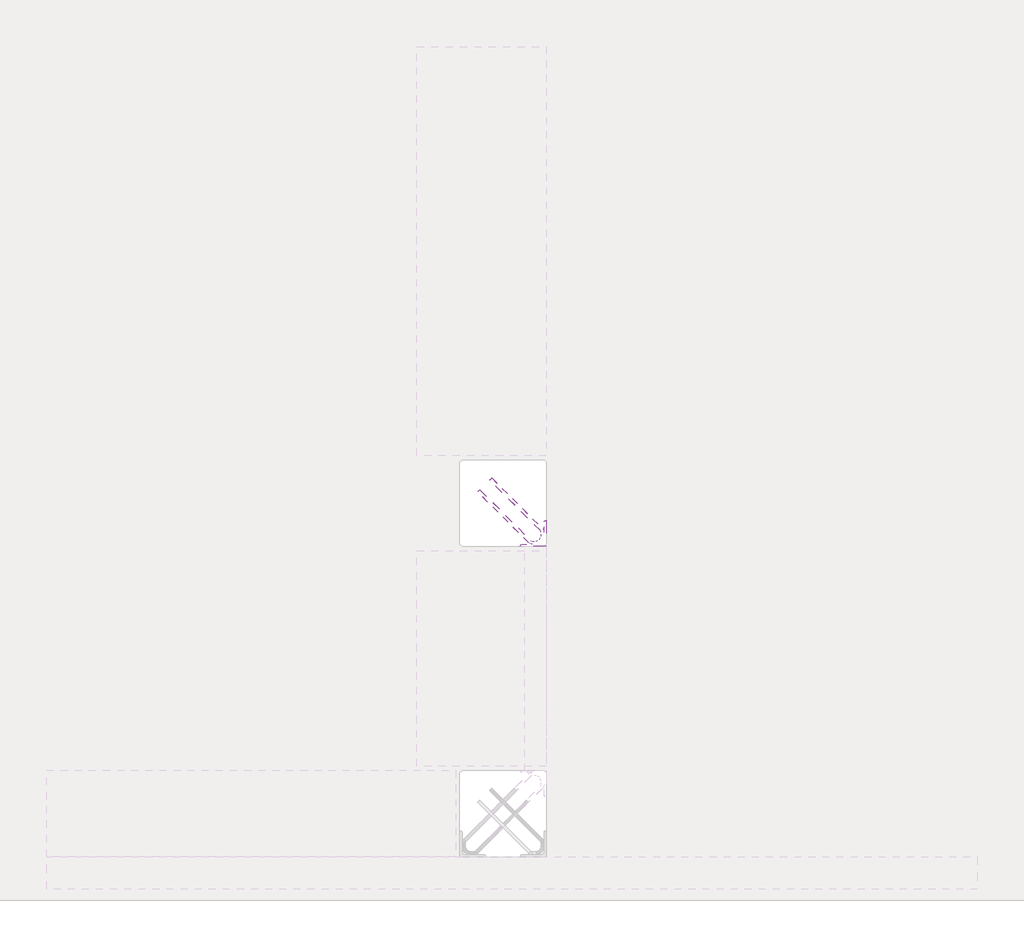
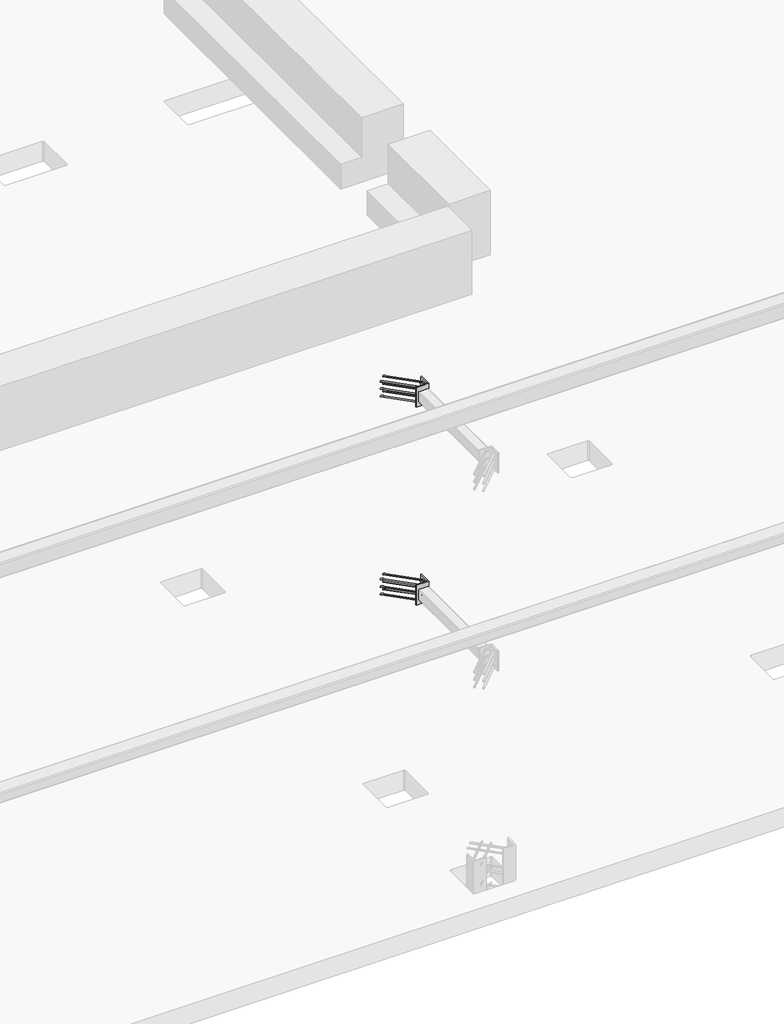
# One storey, part 48 of 65: 2 fasteners.
"""IFC4 building model written with IfcOpenShell, lengths in millimetres."""

from ifc_helpers import new_model, si_unit, point, frame, frame_2d, origin, place, context, project, spatial, polyline, circle_curve, ellipse_curve, trimmed, segment, composite_curve, outline, extrude, element, save
from ifc_brep_helpers import plane_surface, cylinder_surface, revolved_surface, advanced_brep

model = new_model("IFC4")

# Units and contexts
model_context = context("Model", 3, world=origin())
ifc_project = project(units=[si_unit("LENGTHUNIT", "METRE", prefix="MILLI")], contexts=[model_context])

# Site, building, storey
site = spatial("IfcSite", under=ifc_project)
building = spatial("IfcBuilding", under=site)
storey = spatial("IfcBuildingStorey", under=building, Elevation=0.0)

# Fasteners
placement = place(None, origin())
element("IfcFastener", 1, at=placement, inside=storey, context=model_context, shape_type="SolidModel", body=[
    advanced_brep(
    [(71097.4623741, 11557.4371209, 4125.0), (71087.5628791, 11547.5376259, 4125.0), (71032.5628791, 11492.5376259, 4125.0), (71042.4623741, 11502.4371209, 4125.0), (71303.0, 11264.0, 4125.0), (71303.0, 11250.0, 4125.0), (71284.2132034, 11250.0, 4125.0), (71284.2132034, 11264.0, 4125.0), (71326.0, 11287.0, 4125.0), (71340.0, 11287.0, 4125.0), (71326.0, 11305.7867966, 4125.0), (71340.0, 11305.7867966, 4125.0), (71333.5563492, 11321.3431458, 4125.0), (71323.6568543, 11311.4436508, 4125.0), (71278.5563492, 11266.3431458, 4125.0), (71268.6568543, 11256.4436508, 4125.0)],
    [
        (0, 1, circle_curve(frame((71092.5126266, 11552.4873734, 4125.0), z_axis=(-0.7071067811865459, 0.7071067811865493, 0.0), x_axis=(-0.7071067811865493, -0.7071067811865459, 0.0)), 7.0)),
        (1, 0, circle_curve(frame((71092.5126266, 11552.4873734, 4125.0), z_axis=(-0.7071067811865459, 0.7071067811865493, 0.0), x_axis=(-0.7071067811865493, -0.7071067811865459, 0.0)), 7.0)),
        (2, 3, circle_curve(frame((71037.5126266, 11497.4873734, 4125.0), z_axis=(-0.7071067811865457, 0.7071067811865493, 0.0), x_axis=(0.7071067811865493, 0.7071067811865457, 0.0)), 7.0)),
        (3, 2, circle_curve(frame((71037.5126266, 11497.4873734, 4125.0), z_axis=(-0.7071067811865457, 0.7071067811865493, 0.0), x_axis=(0.7071067811865493, 0.7071067811865457, 0.0)), 7.0)),
        (4, 5, circle_curve(frame((71303.0, 11257.0, 4125.0), z_axis=(-1.0, 0.0, 0.0), x_axis=(0.0, 1.0, 0.0)), 7.0)),
        (5, 6),
        (6, 7, circle_curve(frame((71284.2132034, 11257.0, 4125.0), z_axis=(1.0, 0.0, 0.0), x_axis=(0.0, 1.0, 0.0)), 7.0)),
        (7, 4),
        (5, 4, circle_curve(frame((71303.0, 11257.0, 4125.0), z_axis=(-1.0, 0.0, 0.0), x_axis=(0.0, 1.0, 0.0)), 7.0)),
        (7, 6, circle_curve(frame((71284.2132034, 11257.0, 4125.0), z_axis=(1.0, 0.0, 0.0), x_axis=(0.0, 1.0, 0.0)), 7.0)),
        (4, 8, circle_curve(frame((71303.0, 11287.0, 4125.0), z_axis=(0.0, 0.0, 1.0), x_axis=(1.0, 0.0, 0.0)), 23.0)),
        (8, 9, circle_curve(frame((71333.0, 11287.0, 4125.0), z_axis=(0.0, -1.0, 0.0), x_axis=(-1.0, 0.0, 0.0)), 7.0)),
        (9, 5, circle_curve(frame((71303.0, 11287.0, 4125.0), z_axis=(0.0, 0.0, -1.0), x_axis=(1.0, 0.0, 0.0)), 37.0)),
        (9, 8, circle_curve(frame((71333.0, 11287.0, 4125.0), z_axis=(0.0, -1.0, 0.0), x_axis=(-1.0, 0.0, 0.0)), 7.0)),
        (10, 11, circle_curve(frame((71333.0, 11305.7867966, 4125.0), z_axis=(0.0, -1.0, 0.0), x_axis=(-1.0, 0.0, 0.0)), 7.0)),
        (11, 9),
        (8, 10),
        (11, 10, circle_curve(frame((71333.0, 11305.7867966, 4125.0), z_axis=(0.0, -1.0, 0.0), x_axis=(-1.0, 0.0, 0.0)), 7.0)),
        (0, 12),
        (12, 13, circle_curve(frame((71328.6066017, 11316.3933983, 4125.0), z_axis=(-0.7071067811865459, 0.7071067811865493, 0.0), x_axis=(-0.7071067811865493, -0.7071067811865459, 0.0)), 7.0)),
        (13, 1),
        (13, 12, circle_curve(frame((71328.6066017, 11316.3933983, 4125.0), z_axis=(-0.7071067811865459, 0.7071067811865493, 0.0), x_axis=(-0.7071067811865493, -0.7071067811865459, 0.0)), 7.0)),
        (10, 13, circle_curve(frame((71318.0, 11305.7867966, 4125.0), z_axis=(0.0, 0.0, 1.0), x_axis=(0.7071067811865491, 0.7071067811865459, 0.0)), 8.0)),
        (12, 11, circle_curve(frame((71318.0, 11305.7867966, 4125.0), z_axis=(0.0, 0.0, -1.0), x_axis=(0.7071067811865491, 0.7071067811865459, 0.0)), 22.0)),
        (14, 7, circle_curve(frame((71284.2132034, 11272.0, 4125.0), z_axis=(0.0, 0.0, 1.0), x_axis=(0.0, -1.0, 0.0)), 8.0)),
        (6, 15, circle_curve(frame((71284.2132034, 11272.0, 4125.0), z_axis=(0.0, 0.0, -1.0), x_axis=(0.0, -1.0, 0.0)), 22.0)),
        (15, 14, circle_curve(frame((71273.6066017, 11261.3933983, 4125.0), z_axis=(0.7071067811865456, -0.7071067811865495, 0.0), x_axis=(0.7071067811865495, 0.7071067811865456, 0.0)), 7.0)),
        (14, 15, circle_curve(frame((71273.6066017, 11261.3933983, 4125.0), z_axis=(0.707106781186545, -0.70710678118655, 0.0), x_axis=(0.70710678118655, 0.707106781186545, 0.0)), 7.0)),
        (15, 2),
        (3, 14),
    ],
    [
        plane_surface(frame((71092.5126266, 11552.4873734, 4125.0), z_axis=(-0.7071067811865459, 0.7071067811865493, 0.0), x_axis=(0.0, 0.0, -1.0))),
        plane_surface(frame((71037.5126266, 11497.4873734, 4125.0), z_axis=(-0.7071067811865457, 0.7071067811865493, 0.0), x_axis=(0.0, 0.0, -1.0))),
        cylinder_surface(frame((71303.0, 11257.0, 4125.0), z_axis=(1.0, 0.0, 0.0), x_axis=(0.0, 1.0, 0.0)), 7.0),
        revolved_surface(trimmed(ellipse_curve(frame((71333.0, 11287.0, 4125.0), z_axis=(0.0, 1.0, 0.0), x_axis=(-1.0, 0.0, 0.0)), 7.0, 7.0), [point((71340.0, 11287.0, 4125.0))], [point((71326.0, 11287.0, 4125.0))], True, "CARTESIAN"), (71303.0, 11287.0, 4125.0), (0.0, 0.0, -1.0)),
        revolved_surface(trimmed(ellipse_curve(frame((71333.0, 11287.0, 4125.0), z_axis=(0.0, 1.0, 0.0), x_axis=(-1.0, 0.0, 0.0)), 7.0, 7.0), [point((71326.0, 11287.0, 4125.0))], [point((71340.0, 11287.0, 4125.0))], True, "CARTESIAN"), (71303.0, 11287.0, 4125.0), (0.0, 0.0, -1.0)),
        cylinder_surface(frame((71333.0, 11305.7867966, 4125.0), z_axis=(0.0, 1.0, 0.0), x_axis=(-1.0, 0.0, 0.0)), 7.0),
        cylinder_surface(frame((71092.5126266, 11552.4873734, 4125.0), z_axis=(-0.7071067811865459, 0.7071067811865493, 0.0), x_axis=(-0.7071067811865493, -0.7071067811865459, 0.0)), 7.0),
        revolved_surface(trimmed(ellipse_curve(frame((71328.6066017, 11316.3933983, 4125.0), z_axis=(-0.7071067811865459, 0.7071067811865491, 0.0), x_axis=(-0.7071067811865491, -0.7071067811865459, 0.0)), 7.0, 7.0), [point((71333.5563492, 11321.3431458, 4125.0))], [point((71323.6568543, 11311.4436508, 4125.0))], True, "CARTESIAN"), (71318.0, 11305.7867966, 4125.0), (0.0, 0.0, -1.0)),
        revolved_surface(trimmed(ellipse_curve(frame((71328.6066017, 11316.3933983, 4125.0), z_axis=(-0.7071067811865459, 0.7071067811865491, 0.0), x_axis=(-0.7071067811865491, -0.7071067811865459, 0.0)), 7.0, 7.0), [point((71323.6568543, 11311.4436508, 4125.0))], [point((71333.5563492, 11321.3431458, 4125.0))], True, "CARTESIAN"), (71318.0, 11305.7867966, 4125.0), (0.0, 0.0, -1.0)),
        revolved_surface(trimmed(ellipse_curve(frame((71284.2132034, 11257.0, 4125.0), z_axis=(1.0, 0.0, 0.0), x_axis=(0.0, 1.0, 0.0)), 7.0, 7.0), [point((71284.2132034, 11250.0, 4125.0))], [point((71284.2132034, 11264.0, 4125.0))], True, "CARTESIAN"), (71284.2132034, 11272.0, 4125.0), (0.0, 0.0, -1.0)),
        revolved_surface(trimmed(ellipse_curve(frame((71284.2132034, 11257.0, 4125.0), z_axis=(1.0, 0.0, 0.0), x_axis=(0.0, 1.0, 0.0)), 7.0, 7.0), [point((71284.2132034, 11264.0, 4125.0))], [point((71284.2132034, 11250.0, 4125.0))], True, "CARTESIAN"), (71284.2132034, 11272.0, 4125.0), (0.0, 0.0, -1.0)),
        cylinder_surface(frame((71273.6066017, 11261.3933983, 4125.0), z_axis=(0.7071067811865457, -0.7071067811865493, 0.0), x_axis=(0.7071067811865493, 0.7071067811865457, 0.0)), 7.0),
    ],
    [
        (0, [[1, 2]]),
        (1, [[3, 4]]),
        (2, [[5, 6, 7, 8]]),
        (2, [[9, -8, 10, -6]]),
        (3, [[11, 12, 13, -5]]),
        (4, [[-13, 14, -11, -9]]),
        (5, [[15, 16, -12, 17]]),
        (5, [[18, -17, -14, -16]]),
        (6, [[-1, 19, 20, 21]]),
        (6, [[-2, -21, 22, -19]]),
        (7, [[23, -20, 24, -15]]),
        (8, [[-24, -22, -23, -18]]),
        (9, [[25, -7, 26, 27]]),
        (10, [[-26, -10, -25, 28]]),
        (11, [[-27, 29, -4, 30]]),
        (11, [[-28, -30, -3, -29]]),
    ],
),
    advanced_brep(
    [(71087.5628791, 11547.5376259, 3975.0), (71097.4623741, 11557.4371209, 3975.0), (71042.4623741, 11502.4371209, 3975.0), (71032.5628791, 11492.5376259, 3975.0), (71303.0, 11250.0, 3975.0), (71303.0, 11264.0, 3975.0), (71284.2132034, 11264.0, 3975.0), (71284.2132034, 11250.0, 3975.0), (71340.0, 11287.0, 3975.0), (71326.0, 11287.0, 3975.0), (71340.0, 11305.7867966, 3975.0), (71326.0, 11305.7867966, 3975.0), (71323.6568543, 11311.4436508, 3975.0), (71333.5563492, 11321.3431458, 3975.0), (71268.6568543, 11256.4436508, 3975.0), (71278.5563492, 11266.3431458, 3975.0)],
    [
        (0, 1, circle_curve(frame((71092.5126266, 11552.4873734, 3975.0), z_axis=(-0.7071067811865459, 0.7071067811865493, 0.0), x_axis=(0.7071067811865493, 0.7071067811865459, 0.0)), 7.0)),
        (1, 0, circle_curve(frame((71092.5126266, 11552.4873734, 3975.0), z_axis=(-0.7071067811865459, 0.7071067811865493, 0.0), x_axis=(0.7071067811865493, 0.7071067811865459, 0.0)), 7.0)),
        (2, 3, circle_curve(frame((71037.5126266, 11497.4873734, 3975.0), z_axis=(-0.7071067811865458, 0.7071067811865493, 0.0), x_axis=(-0.7071067811865493, -0.7071067811865458, 0.0)), 7.0)),
        (3, 2, circle_curve(frame((71037.5126266, 11497.4873734, 3975.0), z_axis=(-0.7071067811865458, 0.7071067811865493, 0.0), x_axis=(-0.7071067811865493, -0.7071067811865458, 0.0)), 7.0)),
        (4, 5, circle_curve(frame((71303.0, 11257.0, 3975.0), z_axis=(-1.0, 0.0, 0.0), x_axis=(0.0, -1.0, 0.0)), 7.0)),
        (5, 6),
        (6, 7, circle_curve(frame((71284.2132034, 11257.0, 3975.0), z_axis=(1.0, 0.0, 0.0), x_axis=(0.0, -1.0, 0.0)), 7.0)),
        (7, 4),
        (5, 4, circle_curve(frame((71303.0, 11257.0, 3975.0), z_axis=(-1.0, 0.0, 0.0), x_axis=(0.0, -1.0, 0.0)), 7.0)),
        (7, 6, circle_curve(frame((71284.2132034, 11257.0, 3975.0), z_axis=(1.0, 0.0, 0.0), x_axis=(0.0, -1.0, 0.0)), 7.0)),
        (4, 8, circle_curve(frame((71303.0, 11287.0, 3975.0), z_axis=(0.0, 0.0, 1.0), x_axis=(1.0, 0.0, 0.0)), 37.0)),
        (8, 9, circle_curve(frame((71333.0, 11287.0, 3975.0), z_axis=(0.0, -1.0, 0.0), x_axis=(1.0, 0.0, 0.0)), 7.0)),
        (9, 5, circle_curve(frame((71303.0, 11287.0, 3975.0), z_axis=(0.0, 0.0, -1.0), x_axis=(1.0, 0.0, 0.0)), 23.0)),
        (9, 8, circle_curve(frame((71333.0, 11287.0, 3975.0), z_axis=(0.0, -1.0, 0.0), x_axis=(1.0, 0.0, 0.0)), 7.0)),
        (10, 11, circle_curve(frame((71333.0, 11305.7867966, 3975.0), z_axis=(0.0, -1.0, 0.0), x_axis=(1.0, 0.0, 0.0)), 7.0)),
        (11, 9),
        (8, 10),
        (11, 10, circle_curve(frame((71333.0, 11305.7867966, 3975.0), z_axis=(0.0, -1.0, 0.0), x_axis=(1.0, 0.0, 0.0)), 7.0)),
        (0, 12),
        (12, 13, circle_curve(frame((71328.6066017, 11316.3933983, 3975.0), z_axis=(-0.7071067811865459, 0.7071067811865493, 0.0), x_axis=(0.7071067811865493, 0.7071067811865459, 0.0)), 7.0)),
        (13, 1),
        (13, 12, circle_curve(frame((71328.6066017, 11316.3933983, 3975.0), z_axis=(-0.7071067811865459, 0.7071067811865493, 0.0), x_axis=(0.7071067811865493, 0.7071067811865459, 0.0)), 7.0)),
        (10, 13, circle_curve(frame((71318.0, 11305.7867966, 3975.0), z_axis=(0.0, 0.0, 1.0), x_axis=(0.7071067811865491, 0.7071067811865459, 0.0)), 22.0)),
        (12, 11, circle_curve(frame((71318.0, 11305.7867966, 3975.0), z_axis=(0.0, 0.0, -1.0), x_axis=(0.7071067811865491, 0.7071067811865459, 0.0)), 8.0)),
        (14, 7, circle_curve(frame((71284.2132034, 11272.0, 3975.0), z_axis=(0.0, 0.0, 1.0), x_axis=(0.0, -1.0, 0.0)), 22.0)),
        (6, 15, circle_curve(frame((71284.2132034, 11272.0, 3975.0), z_axis=(0.0, 0.0, -1.0), x_axis=(0.0, -1.0, 0.0)), 8.0)),
        (15, 14, circle_curve(frame((71273.6066017, 11261.3933983, 3975.0), z_axis=(0.7071067811865442, -0.7071067811865508, 0.0), x_axis=(-0.7071067811865508, -0.7071067811865442, 0.0)), 7.0)),
        (14, 15, circle_curve(frame((71273.6066017, 11261.3933983, 3975.0), z_axis=(0.707106781186545, -0.70710678118655, 0.0), x_axis=(-0.70710678118655, -0.707106781186545, 0.0)), 7.0)),
        (15, 2),
        (3, 14),
    ],
    [
        plane_surface(frame((71092.5126266, 11552.4873734, 3975.0), z_axis=(-0.7071067811865459, 0.7071067811865493, 0.0), x_axis=(0.0, 0.0, 1.0))),
        plane_surface(frame((71037.5126266, 11497.4873734, 3975.0), z_axis=(-0.7071067811865458, 0.7071067811865493, 0.0), x_axis=(0.0, 0.0, 1.0))),
        cylinder_surface(frame((71303.0, 11257.0, 3975.0), z_axis=(1.0, 0.0, 0.0), x_axis=(0.0, -1.0, 0.0)), 7.0),
        revolved_surface(trimmed(ellipse_curve(frame((71333.0, 11287.0, 3975.0), z_axis=(0.0, 1.0, 0.0), x_axis=(1.0, 0.0, 0.0)), 7.0, 7.0), [point((71326.0, 11287.0, 3975.0))], [point((71340.0, 11287.0, 3975.0))], True, "CARTESIAN"), (71303.0, 11287.0, 3975.0), (0.0, 0.0, -1.0)),
        revolved_surface(trimmed(ellipse_curve(frame((71333.0, 11287.0, 3975.0), z_axis=(0.0, 1.0, 0.0), x_axis=(1.0, 0.0, 0.0)), 7.0, 7.0), [point((71340.0, 11287.0, 3975.0))], [point((71326.0, 11287.0, 3975.0))], True, "CARTESIAN"), (71303.0, 11287.0, 3975.0), (0.0, 0.0, -1.0)),
        cylinder_surface(frame((71333.0, 11305.7867966, 3975.0), z_axis=(0.0, 1.0, 0.0), x_axis=(1.0, 0.0, 0.0)), 7.0),
        cylinder_surface(frame((71092.5126266, 11552.4873734, 3975.0), z_axis=(-0.7071067811865459, 0.7071067811865493, 0.0), x_axis=(0.7071067811865493, 0.7071067811865459, 0.0)), 7.0),
        revolved_surface(trimmed(ellipse_curve(frame((71328.6066017, 11316.3933983, 3975.0), z_axis=(-0.7071067811865459, 0.7071067811865491, 0.0), x_axis=(0.7071067811865491, 0.7071067811865459, 0.0)), 7.0, 7.0), [point((71323.6568543, 11311.4436508, 3975.0))], [point((71333.5563492, 11321.3431458, 3975.0))], True, "CARTESIAN"), (71318.0, 11305.7867966, 3975.0), (0.0, 0.0, -1.0)),
        revolved_surface(trimmed(ellipse_curve(frame((71328.6066017, 11316.3933983, 3975.0), z_axis=(-0.7071067811865459, 0.7071067811865491, 0.0), x_axis=(0.7071067811865491, 0.7071067811865459, 0.0)), 7.0, 7.0), [point((71333.5563492, 11321.3431458, 3975.0))], [point((71323.6568543, 11311.4436508, 3975.0))], True, "CARTESIAN"), (71318.0, 11305.7867966, 3975.0), (0.0, 0.0, -1.0)),
        revolved_surface(trimmed(ellipse_curve(frame((71284.2132034, 11257.0, 3975.0), z_axis=(1.0, 0.0, 0.0), x_axis=(0.0, -1.0, 0.0)), 7.0, 7.0), [point((71284.2132034, 11264.0, 3975.0))], [point((71284.2132034, 11250.0, 3975.0))], True, "CARTESIAN"), (71284.2132034, 11272.0, 3975.0), (0.0, 0.0, -1.0)),
        revolved_surface(trimmed(ellipse_curve(frame((71284.2132034, 11257.0, 3975.0), z_axis=(1.0, 0.0, 0.0), x_axis=(0.0, -1.0, 0.0)), 7.0, 7.0), [point((71284.2132034, 11250.0, 3975.0))], [point((71284.2132034, 11264.0, 3975.0))], True, "CARTESIAN"), (71284.2132034, 11272.0, 3975.0), (0.0, 0.0, -1.0)),
        cylinder_surface(frame((71273.6066017, 11261.3933983, 3975.0), z_axis=(0.7071067811865458, -0.7071067811865493, 0.0), x_axis=(-0.7071067811865493, -0.7071067811865458, 0.0)), 7.0),
    ],
    [
        (0, [[1, 2]]),
        (1, [[3, 4]]),
        (2, [[5, 6, 7, 8]]),
        (2, [[9, -8, 10, -6]]),
        (3, [[11, 12, 13, -5]]),
        (4, [[-13, 14, -11, -9]]),
        (5, [[15, 16, -12, 17]]),
        (5, [[18, -17, -14, -16]]),
        (6, [[-1, 19, 20, 21]]),
        (6, [[-2, -21, 22, -19]]),
        (7, [[23, -20, 24, -15]]),
        (8, [[-24, -22, -23, -18]]),
        (9, [[25, -7, 26, 27]]),
        (10, [[-26, -10, -25, 28]]),
        (11, [[-27, 29, -4, 30]]),
        (11, [[-28, -30, -3, -29]]),
    ],
),
    advanced_brep(
    [(71087.5628791, 11547.5376259, 4050.0), (71097.4623741, 11557.4371209, 4050.0), (71042.4623741, 11502.4371209, 4050.0), (71032.5628791, 11492.5376259, 4050.0), (71303.0, 11250.0, 4050.0), (71303.0, 11264.0, 4050.0), (71284.2132034, 11264.0, 4050.0), (71284.2132034, 11250.0, 4050.0), (71340.0, 11287.0, 4050.0), (71326.0, 11287.0, 4050.0), (71340.0, 11305.7867966, 4050.0), (71326.0, 11305.7867966, 4050.0), (71323.6568543, 11311.4436508, 4050.0), (71333.5563492, 11321.3431458, 4050.0), (71268.6568543, 11256.4436508, 4050.0), (71278.5563492, 11266.3431458, 4050.0)],
    [
        (0, 1, circle_curve(frame((71092.5126266, 11552.4873734, 4050.0), z_axis=(-0.7071067811865458, 0.7071067811865492, 0.0), x_axis=(0.7071067811865492, 0.7071067811865458, 0.0)), 7.0)),
        (1, 0, circle_curve(frame((71092.5126266, 11552.4873734, 4050.0), z_axis=(-0.7071067811865458, 0.7071067811865492, 0.0), x_axis=(0.7071067811865492, 0.7071067811865458, 0.0)), 7.0)),
        (2, 3, circle_curve(frame((71037.5126266, 11497.4873734, 4050.0), z_axis=(-0.7071067811865458, 0.7071067811865493, 0.0), x_axis=(-0.7071067811865493, -0.7071067811865458, 0.0)), 7.0)),
        (3, 2, circle_curve(frame((71037.5126266, 11497.4873734, 4050.0), z_axis=(-0.7071067811865458, 0.7071067811865493, 0.0), x_axis=(-0.7071067811865493, -0.7071067811865458, 0.0)), 7.0)),
        (4, 5, circle_curve(frame((71303.0, 11257.0, 4050.0), z_axis=(-1.0, 0.0, 0.0), x_axis=(0.0, -1.0, 0.0)), 7.0)),
        (5, 6),
        (6, 7, circle_curve(frame((71284.2132034, 11257.0, 4050.0), z_axis=(1.0, 0.0, 0.0), x_axis=(0.0, -1.0, 0.0)), 7.0)),
        (7, 4),
        (5, 4, circle_curve(frame((71303.0, 11257.0, 4050.0), z_axis=(-1.0, 0.0, 0.0), x_axis=(0.0, -1.0, 0.0)), 7.0)),
        (7, 6, circle_curve(frame((71284.2132034, 11257.0, 4050.0), z_axis=(1.0, 0.0, 0.0), x_axis=(0.0, -1.0, 0.0)), 7.0)),
        (4, 8, circle_curve(frame((71303.0, 11287.0, 4050.0), z_axis=(0.0, 0.0, 1.0), x_axis=(1.0, 0.0, 0.0)), 37.0)),
        (8, 9, circle_curve(frame((71333.0, 11287.0, 4050.0), z_axis=(0.0, -1.0, 0.0), x_axis=(1.0, 0.0, 0.0)), 7.0)),
        (9, 5, circle_curve(frame((71303.0, 11287.0, 4050.0), z_axis=(0.0, 0.0, -1.0), x_axis=(1.0, 0.0, 0.0)), 23.0)),
        (9, 8, circle_curve(frame((71333.0, 11287.0, 4050.0), z_axis=(0.0, -1.0, 0.0), x_axis=(1.0, 0.0, 0.0)), 7.0)),
        (10, 11, circle_curve(frame((71333.0, 11305.7867966, 4050.0), z_axis=(0.0, -1.0, 0.0), x_axis=(1.0, 0.0, 0.0)), 7.0)),
        (11, 9),
        (8, 10),
        (11, 10, circle_curve(frame((71333.0, 11305.7867966, 4050.0), z_axis=(0.0, -1.0, 0.0), x_axis=(1.0, 0.0, 0.0)), 7.0)),
        (0, 12),
        (12, 13, circle_curve(frame((71328.6066017, 11316.3933983, 4050.0), z_axis=(-0.7071067811865458, 0.7071067811865492, 0.0), x_axis=(0.7071067811865492, 0.7071067811865458, 0.0)), 7.0)),
        (13, 1),
        (13, 12, circle_curve(frame((71328.6066017, 11316.3933983, 4050.0), z_axis=(-0.7071067811865458, 0.7071067811865492, 0.0), x_axis=(0.7071067811865492, 0.7071067811865458, 0.0)), 7.0)),
        (10, 13, circle_curve(frame((71318.0, 11305.7867966, 4050.0), z_axis=(0.0, 0.0, 1.0), x_axis=(0.7071067811865491, 0.7071067811865459, 0.0)), 22.0)),
        (12, 11, circle_curve(frame((71318.0, 11305.7867966, 4050.0), z_axis=(0.0, 0.0, -1.0), x_axis=(0.7071067811865491, 0.7071067811865459, 0.0)), 8.0)),
        (14, 7, circle_curve(frame((71284.2132034, 11272.0, 4050.0), z_axis=(0.0, 0.0, 1.0), x_axis=(0.0, -1.0, 0.0)), 22.0)),
        (6, 15, circle_curve(frame((71284.2132034, 11272.0, 4050.0), z_axis=(0.0, 0.0, -1.0), x_axis=(0.0, -1.0, 0.0)), 8.0)),
        (15, 14, circle_curve(frame((71273.6066017, 11261.3933983, 4050.0), z_axis=(0.7071067811865457, -0.7071067811865493, 0.0), x_axis=(-0.7071067811865493, -0.7071067811865457, 0.0)), 7.0)),
        (14, 15, circle_curve(frame((71273.6066017, 11261.3933983, 4050.0), z_axis=(0.7071067811865456, -0.7071067811865495, 0.0), x_axis=(-0.7071067811865495, -0.7071067811865456, 0.0)), 7.0)),
        (15, 2),
        (3, 14),
    ],
    [
        plane_surface(frame((71092.5126266, 11552.4873734, 4050.0), z_axis=(-0.7071067811865458, 0.7071067811865492, 0.0), x_axis=(0.0, 0.0, 1.0))),
        plane_surface(frame((71037.5126266, 11497.4873734, 4050.0), z_axis=(-0.7071067811865457, 0.7071067811865495, 0.0), x_axis=(0.0, 0.0, 1.0))),
        cylinder_surface(frame((71303.0, 11257.0, 4050.0), z_axis=(1.0, 0.0, 0.0), x_axis=(0.0, -1.0, 0.0)), 7.0),
        revolved_surface(trimmed(ellipse_curve(frame((71333.0, 11287.0, 4050.0), z_axis=(0.0, 1.0, 0.0), x_axis=(1.0, 0.0, 0.0)), 7.0, 7.0), [point((71326.0, 11287.0, 4050.0))], [point((71340.0, 11287.0, 4050.0))], True, "CARTESIAN"), (71303.0, 11287.0, 4050.0), (0.0, 0.0, -1.0)),
        revolved_surface(trimmed(ellipse_curve(frame((71333.0, 11287.0, 4050.0), z_axis=(0.0, 1.0, 0.0), x_axis=(1.0, 0.0, 0.0)), 7.0, 7.0), [point((71340.0, 11287.0, 4050.0))], [point((71326.0, 11287.0, 4050.0))], True, "CARTESIAN"), (71303.0, 11287.0, 4050.0), (0.0, 0.0, -1.0)),
        cylinder_surface(frame((71333.0, 11305.7867966, 4050.0), z_axis=(0.0, 1.0, 0.0), x_axis=(1.0, 0.0, 0.0)), 7.0),
        cylinder_surface(frame((71092.5126266, 11552.4873734, 4050.0), z_axis=(-0.7071067811865458, 0.7071067811865492, 0.0), x_axis=(0.7071067811865492, 0.7071067811865458, 0.0)), 7.0),
        revolved_surface(trimmed(ellipse_curve(frame((71328.6066017, 11316.3933983, 4050.0), z_axis=(-0.707106781186546, 0.707106781186549, 0.0), x_axis=(0.707106781186549, 0.707106781186546, 0.0)), 7.0, 7.0), [point((71323.6568543, 11311.4436508, 4050.0))], [point((71333.5563492, 11321.3431458, 4050.0))], True, "CARTESIAN"), (71318.0, 11305.7867966, 4050.0), (0.0, 0.0, -1.0)),
        revolved_surface(trimmed(ellipse_curve(frame((71328.6066017, 11316.3933983, 4050.0), z_axis=(-0.707106781186546, 0.707106781186549, 0.0), x_axis=(0.707106781186549, 0.707106781186546, 0.0)), 7.0, 7.0), [point((71333.5563492, 11321.3431458, 4050.0))], [point((71323.6568543, 11311.4436508, 4050.0))], True, "CARTESIAN"), (71318.0, 11305.7867966, 4050.0), (0.0, 0.0, -1.0)),
        revolved_surface(trimmed(ellipse_curve(frame((71284.2132034, 11257.0, 4050.0), z_axis=(1.0, 0.0, 0.0), x_axis=(0.0, -1.0, 0.0)), 7.0, 7.0), [point((71284.2132034, 11264.0, 4050.0))], [point((71284.2132034, 11250.0, 4050.0))], True, "CARTESIAN"), (71284.2132034, 11272.0, 4050.0), (0.0, 0.0, -1.0)),
        revolved_surface(trimmed(ellipse_curve(frame((71284.2132034, 11257.0, 4050.0), z_axis=(1.0, 0.0, 0.0), x_axis=(0.0, -1.0, 0.0)), 7.0, 7.0), [point((71284.2132034, 11250.0, 4050.0))], [point((71284.2132034, 11264.0, 4050.0))], True, "CARTESIAN"), (71284.2132034, 11272.0, 4050.0), (0.0, 0.0, -1.0)),
        cylinder_surface(frame((71273.6066017, 11261.3933983, 4050.0), z_axis=(0.7071067811865458, -0.7071067811865493, 0.0), x_axis=(-0.7071067811865493, -0.7071067811865458, 0.0)), 7.0),
    ],
    [
        (0, [[1, 2]]),
        (1, [[3, 4]]),
        (2, [[5, 6, 7, 8]]),
        (2, [[9, -8, 10, -6]]),
        (3, [[11, 12, 13, -5]]),
        (4, [[-13, 14, -11, -9]]),
        (5, [[15, 16, -12, 17]]),
        (5, [[18, -17, -14, -16]]),
        (6, [[-1, 19, 20, 21]]),
        (6, [[-2, -21, 22, -19]]),
        (7, [[23, -20, 24, -15]]),
        (8, [[-24, -22, -23, -18]]),
        (9, [[25, -7, 26, 27]]),
        (10, [[-26, -10, -25, 28]]),
        (11, [[-27, 29, -4, 30]]),
        (11, [[-28, -30, -3, -29]]),
    ],
),
    extrude(outline(composite_curve([segment(polyline([(71350.0, 11240.0), (71230.0, 11240.0), (71230.0, 11243.5)]), True, "CONTINUOUS"), segment(trimmed(circle_curve(frame_2d((71236.5, 11243.5)), 6.5), [point((71230.0, 11243.5))], [point((71236.5, 11250.0))], False, "CARTESIAN"), True, "CONTINUOUS"), segment(polyline([(71236.5, 11250.0), (71327.0, 11250.0)]), True, "CONTINUOUS"), segment(trimmed(circle_curve(frame_2d((71327.0, 11263.0)), 13.0), [point((71327.0, 11250.0))], [point((71340.0, 11263.0))], True, "CARTESIAN"), True, "CONTINUOUS"), segment(polyline([(71340.0, 11263.0), (71340.0, 11353.5)]), True, "CONTINUOUS"), segment(trimmed(circle_curve(frame_2d((71346.5, 11353.5)), 6.5), [point((71340.0, 11353.5))], [point((71346.5, 11360.0))], False, "CARTESIAN"), True, "CONTINUOUS"), segment(polyline([(71346.5, 11360.0), (71350.0, 11360.0), (71350.0, 11240.0)]), True, "CONTINUOUS")], self_intersect=False)), frame((0.0, 0.0, 3950.0), z_axis=(0.0, 0.0, 1.0), x_axis=(1.0, 0.0, 0.0)), (0.0, 0.0, 1.0), 200.0),
])
element("IfcFastener", 2, at=placement, inside=storey, context=model_context, shape_type="SolidModel", body=[
    extrude(outline(composite_curve([segment(polyline([(71350.0, 11240.0), (71230.0, 11240.0), (71230.0, 11243.5)]), True, "CONTINUOUS"), segment(trimmed(circle_curve(frame_2d((71236.5, 11243.5)), 6.5), [point((71230.0, 11243.5))], [point((71236.5, 11250.0))], False, "CARTESIAN"), True, "CONTINUOUS"), segment(polyline([(71236.5, 11250.0), (71327.0, 11250.0)]), True, "CONTINUOUS"), segment(trimmed(circle_curve(frame_2d((71327.0, 11263.0)), 13.0), [point((71327.0, 11250.0))], [point((71340.0, 11263.0))], True, "CARTESIAN"), True, "CONTINUOUS"), segment(polyline([(71340.0, 11263.0), (71340.0, 11353.5)]), True, "CONTINUOUS"), segment(trimmed(circle_curve(frame_2d((71346.5, 11353.5)), 6.5), [point((71340.0, 11353.5))], [point((71346.5, 11360.0))], False, "CARTESIAN"), True, "CONTINUOUS"), segment(polyline([(71346.5, 11360.0), (71350.0, 11360.0), (71350.0, 11240.0)]), True, "CONTINUOUS")], self_intersect=False)), frame((0.0, 0.0, 1950.0), z_axis=(0.0, 0.0, 1.0), x_axis=(1.0, 0.0, 0.0)), (0.0, 0.0, 1.0), 200.0),
    advanced_brep(
    [(71097.4623741, 11557.4371209, 2125.0), (71087.5628791, 11547.5376259, 2125.0), (71032.5628791, 11492.5376259, 2125.0), (71042.4623741, 11502.4371209, 2125.0), (71303.0, 11264.0, 2125.0), (71303.0, 11250.0, 2125.0), (71284.2132034, 11250.0, 2125.0), (71284.2132034, 11264.0, 2125.0), (71326.0, 11287.0, 2125.0), (71340.0, 11287.0, 2125.0), (71326.0, 11305.7867966, 2125.0), (71340.0, 11305.7867966, 2125.0), (71333.5563492, 11321.3431458, 2125.0), (71323.6568543, 11311.4436508, 2125.0), (71278.5563492, 11266.3431458, 2125.0), (71268.6568543, 11256.4436508, 2125.0)],
    [
        (0, 1, circle_curve(frame((71092.5126266, 11552.4873734, 2125.0), z_axis=(-0.7071067811865459, 0.7071067811865493, 0.0), x_axis=(-0.7071067811865493, -0.7071067811865459, 0.0)), 7.0)),
        (1, 0, circle_curve(frame((71092.5126266, 11552.4873734, 2125.0), z_axis=(-0.7071067811865459, 0.7071067811865493, 0.0), x_axis=(-0.7071067811865493, -0.7071067811865459, 0.0)), 7.0)),
        (2, 3, circle_curve(frame((71037.5126266, 11497.4873734, 2125.0), z_axis=(-0.7071067811865457, 0.7071067811865493, 0.0), x_axis=(0.7071067811865493, 0.7071067811865457, 0.0)), 7.0)),
        (3, 2, circle_curve(frame((71037.5126266, 11497.4873734, 2125.0), z_axis=(-0.7071067811865457, 0.7071067811865493, 0.0), x_axis=(0.7071067811865493, 0.7071067811865457, 0.0)), 7.0)),
        (4, 5, circle_curve(frame((71303.0, 11257.0, 2125.0), z_axis=(-1.0, 0.0, 0.0), x_axis=(0.0, 1.0, 0.0)), 7.0)),
        (5, 6),
        (6, 7, circle_curve(frame((71284.2132034, 11257.0, 2125.0), z_axis=(1.0, 0.0, 0.0), x_axis=(0.0, 1.0, 0.0)), 7.0)),
        (7, 4),
        (5, 4, circle_curve(frame((71303.0, 11257.0, 2125.0), z_axis=(-1.0, 0.0, 0.0), x_axis=(0.0, 1.0, 0.0)), 7.0)),
        (7, 6, circle_curve(frame((71284.2132034, 11257.0, 2125.0), z_axis=(1.0, 0.0, 0.0), x_axis=(0.0, 1.0, 0.0)), 7.0)),
        (4, 8, circle_curve(frame((71303.0, 11287.0, 2125.0), z_axis=(0.0, 0.0, 1.0), x_axis=(1.0, 0.0, 0.0)), 23.0)),
        (8, 9, circle_curve(frame((71333.0, 11287.0, 2125.0), z_axis=(0.0, -1.0, 0.0), x_axis=(-1.0, 0.0, 0.0)), 7.0)),
        (9, 5, circle_curve(frame((71303.0, 11287.0, 2125.0), z_axis=(0.0, 0.0, -1.0), x_axis=(1.0, 0.0, 0.0)), 37.0)),
        (9, 8, circle_curve(frame((71333.0, 11287.0, 2125.0), z_axis=(0.0, -1.0, 0.0), x_axis=(-1.0, 0.0, 0.0)), 7.0)),
        (10, 11, circle_curve(frame((71333.0, 11305.7867966, 2125.0), z_axis=(0.0, -1.0, 0.0), x_axis=(-1.0, 0.0, 0.0)), 7.0)),
        (11, 9),
        (8, 10),
        (11, 10, circle_curve(frame((71333.0, 11305.7867966, 2125.0), z_axis=(0.0, -1.0, 0.0), x_axis=(-1.0, 0.0, 0.0)), 7.0)),
        (0, 12),
        (12, 13, circle_curve(frame((71328.6066017, 11316.3933983, 2125.0), z_axis=(-0.7071067811865459, 0.7071067811865493, 0.0), x_axis=(-0.7071067811865493, -0.7071067811865459, 0.0)), 7.0)),
        (13, 1),
        (13, 12, circle_curve(frame((71328.6066017, 11316.3933983, 2125.0), z_axis=(-0.7071067811865459, 0.7071067811865493, 0.0), x_axis=(-0.7071067811865493, -0.7071067811865459, 0.0)), 7.0)),
        (10, 13, circle_curve(frame((71318.0, 11305.7867966, 2125.0), z_axis=(0.0, 0.0, 1.0), x_axis=(0.7071067811865491, 0.7071067811865459, 0.0)), 8.0)),
        (12, 11, circle_curve(frame((71318.0, 11305.7867966, 2125.0), z_axis=(0.0, 0.0, -1.0), x_axis=(0.7071067811865491, 0.7071067811865459, 0.0)), 22.0)),
        (14, 7, circle_curve(frame((71284.2132034, 11272.0, 2125.0), z_axis=(0.0, 0.0, 1.0), x_axis=(0.0, -1.0, 0.0)), 8.0)),
        (6, 15, circle_curve(frame((71284.2132034, 11272.0, 2125.0), z_axis=(0.0, 0.0, -1.0), x_axis=(0.0, -1.0, 0.0)), 22.0)),
        (15, 14, circle_curve(frame((71273.6066017, 11261.3933983, 2125.0), z_axis=(0.7071067811865456, -0.7071067811865495, 0.0), x_axis=(0.7071067811865495, 0.7071067811865456, 0.0)), 7.0)),
        (14, 15, circle_curve(frame((71273.6066017, 11261.3933983, 2125.0), z_axis=(0.707106781186545, -0.70710678118655, 0.0), x_axis=(0.70710678118655, 0.707106781186545, 0.0)), 7.0)),
        (15, 2),
        (3, 14),
    ],
    [
        plane_surface(frame((71092.5126266, 11552.4873734, 2125.0), z_axis=(-0.7071067811865459, 0.7071067811865493, 0.0), x_axis=(0.0, 0.0, -1.0))),
        plane_surface(frame((71037.5126266, 11497.4873734, 2125.0), z_axis=(-0.7071067811865457, 0.7071067811865493, 0.0), x_axis=(0.0, 0.0, -1.0))),
        cylinder_surface(frame((71303.0, 11257.0, 2125.0), z_axis=(1.0, 0.0, 0.0), x_axis=(0.0, 1.0, 0.0)), 7.0),
        revolved_surface(trimmed(ellipse_curve(frame((71333.0, 11287.0, 2125.0), z_axis=(0.0, 1.0, 0.0), x_axis=(-1.0, 0.0, 0.0)), 7.0, 7.0), [point((71340.0, 11287.0, 2125.0))], [point((71326.0, 11287.0, 2125.0))], True, "CARTESIAN"), (71303.0, 11287.0, 2125.0), (0.0, 0.0, -1.0)),
        revolved_surface(trimmed(ellipse_curve(frame((71333.0, 11287.0, 2125.0), z_axis=(0.0, 1.0, 0.0), x_axis=(-1.0, 0.0, 0.0)), 7.0, 7.0), [point((71326.0, 11287.0, 2125.0))], [point((71340.0, 11287.0, 2125.0))], True, "CARTESIAN"), (71303.0, 11287.0, 2125.0), (0.0, 0.0, -1.0)),
        cylinder_surface(frame((71333.0, 11305.7867966, 2125.0), z_axis=(0.0, 1.0, 0.0), x_axis=(-1.0, 0.0, 0.0)), 7.0),
        cylinder_surface(frame((71092.5126266, 11552.4873734, 2125.0), z_axis=(-0.7071067811865459, 0.7071067811865493, 0.0), x_axis=(-0.7071067811865493, -0.7071067811865459, 0.0)), 7.0),
        revolved_surface(trimmed(ellipse_curve(frame((71328.6066017, 11316.3933983, 2125.0), z_axis=(-0.7071067811865459, 0.7071067811865491, 0.0), x_axis=(-0.7071067811865491, -0.7071067811865459, 0.0)), 7.0, 7.0), [point((71333.5563492, 11321.3431458, 2125.0))], [point((71323.6568543, 11311.4436508, 2125.0))], True, "CARTESIAN"), (71318.0, 11305.7867966, 2125.0), (0.0, 0.0, -1.0)),
        revolved_surface(trimmed(ellipse_curve(frame((71328.6066017, 11316.3933983, 2125.0), z_axis=(-0.7071067811865459, 0.7071067811865491, 0.0), x_axis=(-0.7071067811865491, -0.7071067811865459, 0.0)), 7.0, 7.0), [point((71323.6568543, 11311.4436508, 2125.0))], [point((71333.5563492, 11321.3431458, 2125.0))], True, "CARTESIAN"), (71318.0, 11305.7867966, 2125.0), (0.0, 0.0, -1.0)),
        revolved_surface(trimmed(ellipse_curve(frame((71284.2132034, 11257.0, 2125.0), z_axis=(1.0, 0.0, 0.0), x_axis=(0.0, 1.0, 0.0)), 7.0, 7.0), [point((71284.2132034, 11250.0, 2125.0))], [point((71284.2132034, 11264.0, 2125.0))], True, "CARTESIAN"), (71284.2132034, 11272.0, 2125.0), (0.0, 0.0, -1.0)),
        revolved_surface(trimmed(ellipse_curve(frame((71284.2132034, 11257.0, 2125.0), z_axis=(1.0, 0.0, 0.0), x_axis=(0.0, 1.0, 0.0)), 7.0, 7.0), [point((71284.2132034, 11264.0, 2125.0))], [point((71284.2132034, 11250.0, 2125.0))], True, "CARTESIAN"), (71284.2132034, 11272.0, 2125.0), (0.0, 0.0, -1.0)),
        cylinder_surface(frame((71273.6066017, 11261.3933983, 2125.0), z_axis=(0.7071067811865457, -0.7071067811865493, 0.0), x_axis=(0.7071067811865493, 0.7071067811865457, 0.0)), 7.0),
    ],
    [
        (0, [[1, 2]]),
        (1, [[3, 4]]),
        (2, [[5, 6, 7, 8]]),
        (2, [[9, -8, 10, -6]]),
        (3, [[11, 12, 13, -5]]),
        (4, [[-13, 14, -11, -9]]),
        (5, [[15, 16, -12, 17]]),
        (5, [[18, -17, -14, -16]]),
        (6, [[-1, 19, 20, 21]]),
        (6, [[-2, -21, 22, -19]]),
        (7, [[23, -20, 24, -15]]),
        (8, [[-24, -22, -23, -18]]),
        (9, [[25, -7, 26, 27]]),
        (10, [[-26, -10, -25, 28]]),
        (11, [[-27, 29, -4, 30]]),
        (11, [[-28, -30, -3, -29]]),
    ],
),
    advanced_brep(
    [(71087.5628791, 11547.5376259, 1975.0), (71097.4623741, 11557.4371209, 1975.0), (71042.4623741, 11502.4371209, 1975.0), (71032.5628791, 11492.5376259, 1975.0), (71303.0, 11250.0, 1975.0), (71303.0, 11264.0, 1975.0), (71284.2132034, 11264.0, 1975.0), (71284.2132034, 11250.0, 1975.0), (71340.0, 11287.0, 1975.0), (71326.0, 11287.0, 1975.0), (71340.0, 11305.7867966, 1975.0), (71326.0, 11305.7867966, 1975.0), (71323.6568543, 11311.4436508, 1975.0), (71333.5563492, 11321.3431458, 1975.0), (71268.6568543, 11256.4436508, 1975.0), (71278.5563492, 11266.3431458, 1975.0)],
    [
        (0, 1, circle_curve(frame((71092.5126266, 11552.4873734, 1975.0), z_axis=(-0.7071067811865459, 0.7071067811865493, 0.0), x_axis=(0.7071067811865493, 0.7071067811865459, 0.0)), 7.0)),
        (1, 0, circle_curve(frame((71092.5126266, 11552.4873734, 1975.0), z_axis=(-0.7071067811865459, 0.7071067811865493, 0.0), x_axis=(0.7071067811865493, 0.7071067811865459, 0.0)), 7.0)),
        (2, 3, circle_curve(frame((71037.5126266, 11497.4873734, 1975.0), z_axis=(-0.7071067811865458, 0.7071067811865493, 0.0), x_axis=(-0.7071067811865493, -0.7071067811865458, 0.0)), 7.0)),
        (3, 2, circle_curve(frame((71037.5126266, 11497.4873734, 1975.0), z_axis=(-0.7071067811865458, 0.7071067811865493, 0.0), x_axis=(-0.7071067811865493, -0.7071067811865458, 0.0)), 7.0)),
        (4, 5, circle_curve(frame((71303.0, 11257.0, 1975.0), z_axis=(-1.0, 0.0, 0.0), x_axis=(0.0, -1.0, 0.0)), 7.0)),
        (5, 6),
        (6, 7, circle_curve(frame((71284.2132034, 11257.0, 1975.0), z_axis=(1.0, 0.0, 0.0), x_axis=(0.0, -1.0, 0.0)), 7.0)),
        (7, 4),
        (5, 4, circle_curve(frame((71303.0, 11257.0, 1975.0), z_axis=(-1.0, 0.0, 0.0), x_axis=(0.0, -1.0, 0.0)), 7.0)),
        (7, 6, circle_curve(frame((71284.2132034, 11257.0, 1975.0), z_axis=(1.0, 0.0, 0.0), x_axis=(0.0, -1.0, 0.0)), 7.0)),
        (4, 8, circle_curve(frame((71303.0, 11287.0, 1975.0), z_axis=(0.0, 0.0, 1.0), x_axis=(1.0, 0.0, 0.0)), 37.0)),
        (8, 9, circle_curve(frame((71333.0, 11287.0, 1975.0), z_axis=(0.0, -1.0, 0.0), x_axis=(1.0, 0.0, 0.0)), 7.0)),
        (9, 5, circle_curve(frame((71303.0, 11287.0, 1975.0), z_axis=(0.0, 0.0, -1.0), x_axis=(1.0, 0.0, 0.0)), 23.0)),
        (9, 8, circle_curve(frame((71333.0, 11287.0, 1975.0), z_axis=(0.0, -1.0, 0.0), x_axis=(1.0, 0.0, 0.0)), 7.0)),
        (10, 11, circle_curve(frame((71333.0, 11305.7867966, 1975.0), z_axis=(0.0, -1.0, 0.0), x_axis=(1.0, 0.0, 0.0)), 7.0)),
        (11, 9),
        (8, 10),
        (11, 10, circle_curve(frame((71333.0, 11305.7867966, 1975.0), z_axis=(0.0, -1.0, 0.0), x_axis=(1.0, 0.0, 0.0)), 7.0)),
        (0, 12),
        (12, 13, circle_curve(frame((71328.6066017, 11316.3933983, 1975.0), z_axis=(-0.7071067811865459, 0.7071067811865493, 0.0), x_axis=(0.7071067811865493, 0.7071067811865459, 0.0)), 7.0)),
        (13, 1),
        (13, 12, circle_curve(frame((71328.6066017, 11316.3933983, 1975.0), z_axis=(-0.7071067811865459, 0.7071067811865493, 0.0), x_axis=(0.7071067811865493, 0.7071067811865459, 0.0)), 7.0)),
        (10, 13, circle_curve(frame((71318.0, 11305.7867966, 1975.0), z_axis=(0.0, 0.0, 1.0), x_axis=(0.7071067811865491, 0.7071067811865459, 0.0)), 22.0)),
        (12, 11, circle_curve(frame((71318.0, 11305.7867966, 1975.0), z_axis=(0.0, 0.0, -1.0), x_axis=(0.7071067811865491, 0.7071067811865459, 0.0)), 8.0)),
        (14, 7, circle_curve(frame((71284.2132034, 11272.0, 1975.0), z_axis=(0.0, 0.0, 1.0), x_axis=(0.0, -1.0, 0.0)), 22.0)),
        (6, 15, circle_curve(frame((71284.2132034, 11272.0, 1975.0), z_axis=(0.0, 0.0, -1.0), x_axis=(0.0, -1.0, 0.0)), 8.0)),
        (15, 14, circle_curve(frame((71273.6066017, 11261.3933983, 1975.0), z_axis=(0.7071067811865442, -0.7071067811865508, 0.0), x_axis=(-0.7071067811865508, -0.7071067811865442, 0.0)), 7.0)),
        (14, 15, circle_curve(frame((71273.6066017, 11261.3933983, 1975.0), z_axis=(0.707106781186545, -0.70710678118655, 0.0), x_axis=(-0.70710678118655, -0.707106781186545, 0.0)), 7.0)),
        (15, 2),
        (3, 14),
    ],
    [
        plane_surface(frame((71092.5126266, 11552.4873734, 1975.0), z_axis=(-0.7071067811865459, 0.7071067811865493, 0.0), x_axis=(0.0, 0.0, 1.0))),
        plane_surface(frame((71037.5126266, 11497.4873734, 1975.0), z_axis=(-0.7071067811865458, 0.7071067811865493, 0.0), x_axis=(0.0, 0.0, 1.0))),
        cylinder_surface(frame((71303.0, 11257.0, 1975.0), z_axis=(1.0, 0.0, 0.0), x_axis=(0.0, -1.0, 0.0)), 7.0),
        revolved_surface(trimmed(ellipse_curve(frame((71333.0, 11287.0, 1975.0), z_axis=(0.0, 1.0, 0.0), x_axis=(1.0, 0.0, 0.0)), 7.0, 7.0), [point((71326.0, 11287.0, 1975.0))], [point((71340.0, 11287.0, 1975.0))], True, "CARTESIAN"), (71303.0, 11287.0, 1975.0), (0.0, 0.0, -1.0)),
        revolved_surface(trimmed(ellipse_curve(frame((71333.0, 11287.0, 1975.0), z_axis=(0.0, 1.0, 0.0), x_axis=(1.0, 0.0, 0.0)), 7.0, 7.0), [point((71340.0, 11287.0, 1975.0))], [point((71326.0, 11287.0, 1975.0))], True, "CARTESIAN"), (71303.0, 11287.0, 1975.0), (0.0, 0.0, -1.0)),
        cylinder_surface(frame((71333.0, 11305.7867966, 1975.0), z_axis=(0.0, 1.0, 0.0), x_axis=(1.0, 0.0, 0.0)), 7.0),
        cylinder_surface(frame((71092.5126266, 11552.4873734, 1975.0), z_axis=(-0.7071067811865459, 0.7071067811865493, 0.0), x_axis=(0.7071067811865493, 0.7071067811865459, 0.0)), 7.0),
        revolved_surface(trimmed(ellipse_curve(frame((71328.6066017, 11316.3933983, 1975.0), z_axis=(-0.7071067811865459, 0.7071067811865491, 0.0), x_axis=(0.7071067811865491, 0.7071067811865459, 0.0)), 7.0, 7.0), [point((71323.6568543, 11311.4436508, 1975.0))], [point((71333.5563492, 11321.3431458, 1975.0))], True, "CARTESIAN"), (71318.0, 11305.7867966, 1975.0), (0.0, 0.0, -1.0)),
        revolved_surface(trimmed(ellipse_curve(frame((71328.6066017, 11316.3933983, 1975.0), z_axis=(-0.7071067811865459, 0.7071067811865491, 0.0), x_axis=(0.7071067811865491, 0.7071067811865459, 0.0)), 7.0, 7.0), [point((71333.5563492, 11321.3431458, 1975.0))], [point((71323.6568543, 11311.4436508, 1975.0))], True, "CARTESIAN"), (71318.0, 11305.7867966, 1975.0), (0.0, 0.0, -1.0)),
        revolved_surface(trimmed(ellipse_curve(frame((71284.2132034, 11257.0, 1975.0), z_axis=(1.0, 0.0, 0.0), x_axis=(0.0, -1.0, 0.0)), 7.0, 7.0), [point((71284.2132034, 11264.0, 1975.0))], [point((71284.2132034, 11250.0, 1975.0))], True, "CARTESIAN"), (71284.2132034, 11272.0, 1975.0), (0.0, 0.0, -1.0)),
        revolved_surface(trimmed(ellipse_curve(frame((71284.2132034, 11257.0, 1975.0), z_axis=(1.0, 0.0, 0.0), x_axis=(0.0, -1.0, 0.0)), 7.0, 7.0), [point((71284.2132034, 11250.0, 1975.0))], [point((71284.2132034, 11264.0, 1975.0))], True, "CARTESIAN"), (71284.2132034, 11272.0, 1975.0), (0.0, 0.0, -1.0)),
        cylinder_surface(frame((71273.6066017, 11261.3933983, 1975.0), z_axis=(0.7071067811865458, -0.7071067811865493, 0.0), x_axis=(-0.7071067811865493, -0.7071067811865458, 0.0)), 7.0),
    ],
    [
        (0, [[1, 2]]),
        (1, [[3, 4]]),
        (2, [[5, 6, 7, 8]]),
        (2, [[9, -8, 10, -6]]),
        (3, [[11, 12, 13, -5]]),
        (4, [[-13, 14, -11, -9]]),
        (5, [[15, 16, -12, 17]]),
        (5, [[18, -17, -14, -16]]),
        (6, [[-1, 19, 20, 21]]),
        (6, [[-2, -21, 22, -19]]),
        (7, [[23, -20, 24, -15]]),
        (8, [[-24, -22, -23, -18]]),
        (9, [[25, -7, 26, 27]]),
        (10, [[-26, -10, -25, 28]]),
        (11, [[-27, 29, -4, 30]]),
        (11, [[-28, -30, -3, -29]]),
    ],
),
    advanced_brep(
    [(71087.5628791, 11547.5376259, 2050.0), (71097.4623741, 11557.4371209, 2050.0), (71042.4623741, 11502.4371209, 2050.0), (71032.5628791, 11492.5376259, 2050.0), (71303.0, 11250.0, 2050.0), (71303.0, 11264.0, 2050.0), (71284.2132034, 11264.0, 2050.0), (71284.2132034, 11250.0, 2050.0), (71340.0, 11287.0, 2050.0), (71326.0, 11287.0, 2050.0), (71340.0, 11305.7867966, 2050.0), (71326.0, 11305.7867966, 2050.0), (71323.6568543, 11311.4436508, 2050.0), (71333.5563492, 11321.3431458, 2050.0), (71268.6568543, 11256.4436508, 2050.0), (71278.5563492, 11266.3431458, 2050.0)],
    [
        (0, 1, circle_curve(frame((71092.5126266, 11552.4873734, 2050.0), z_axis=(-0.7071067811865458, 0.7071067811865492, 0.0), x_axis=(0.7071067811865492, 0.7071067811865458, 0.0)), 7.0)),
        (1, 0, circle_curve(frame((71092.5126266, 11552.4873734, 2050.0), z_axis=(-0.7071067811865458, 0.7071067811865492, 0.0), x_axis=(0.7071067811865492, 0.7071067811865458, 0.0)), 7.0)),
        (2, 3, circle_curve(frame((71037.5126266, 11497.4873734, 2050.0), z_axis=(-0.7071067811865458, 0.7071067811865493, 0.0), x_axis=(-0.7071067811865493, -0.7071067811865458, 0.0)), 7.0)),
        (3, 2, circle_curve(frame((71037.5126266, 11497.4873734, 2050.0), z_axis=(-0.7071067811865458, 0.7071067811865493, 0.0), x_axis=(-0.7071067811865493, -0.7071067811865458, 0.0)), 7.0)),
        (4, 5, circle_curve(frame((71303.0, 11257.0, 2050.0), z_axis=(-1.0, 0.0, 0.0), x_axis=(0.0, -1.0, 0.0)), 7.0)),
        (5, 6),
        (6, 7, circle_curve(frame((71284.2132034, 11257.0, 2050.0), z_axis=(1.0, 0.0, 0.0), x_axis=(0.0, -1.0, 0.0)), 7.0)),
        (7, 4),
        (5, 4, circle_curve(frame((71303.0, 11257.0, 2050.0), z_axis=(-1.0, 0.0, 0.0), x_axis=(0.0, -1.0, 0.0)), 7.0)),
        (7, 6, circle_curve(frame((71284.2132034, 11257.0, 2050.0), z_axis=(1.0, 0.0, 0.0), x_axis=(0.0, -1.0, 0.0)), 7.0)),
        (4, 8, circle_curve(frame((71303.0, 11287.0, 2050.0), z_axis=(0.0, 0.0, 1.0), x_axis=(1.0, 0.0, 0.0)), 37.0)),
        (8, 9, circle_curve(frame((71333.0, 11287.0, 2050.0), z_axis=(0.0, -1.0, 0.0), x_axis=(1.0, 0.0, 0.0)), 7.0)),
        (9, 5, circle_curve(frame((71303.0, 11287.0, 2050.0), z_axis=(0.0, 0.0, -1.0), x_axis=(1.0, 0.0, 0.0)), 23.0)),
        (9, 8, circle_curve(frame((71333.0, 11287.0, 2050.0), z_axis=(0.0, -1.0, 0.0), x_axis=(1.0, 0.0, 0.0)), 7.0)),
        (10, 11, circle_curve(frame((71333.0, 11305.7867966, 2050.0), z_axis=(0.0, -1.0, 0.0), x_axis=(1.0, 0.0, 0.0)), 7.0)),
        (11, 9),
        (8, 10),
        (11, 10, circle_curve(frame((71333.0, 11305.7867966, 2050.0), z_axis=(0.0, -1.0, 0.0), x_axis=(1.0, 0.0, 0.0)), 7.0)),
        (0, 12),
        (12, 13, circle_curve(frame((71328.6066017, 11316.3933983, 2050.0), z_axis=(-0.7071067811865458, 0.7071067811865492, 0.0), x_axis=(0.7071067811865492, 0.7071067811865458, 0.0)), 7.0)),
        (13, 1),
        (13, 12, circle_curve(frame((71328.6066017, 11316.3933983, 2050.0), z_axis=(-0.7071067811865458, 0.7071067811865492, 0.0), x_axis=(0.7071067811865492, 0.7071067811865458, 0.0)), 7.0)),
        (10, 13, circle_curve(frame((71318.0, 11305.7867966, 2050.0), z_axis=(0.0, 0.0, 1.0), x_axis=(0.7071067811865491, 0.7071067811865459, 0.0)), 22.0)),
        (12, 11, circle_curve(frame((71318.0, 11305.7867966, 2050.0), z_axis=(0.0, 0.0, -1.0), x_axis=(0.7071067811865491, 0.7071067811865459, 0.0)), 8.0)),
        (14, 7, circle_curve(frame((71284.2132034, 11272.0, 2050.0), z_axis=(0.0, 0.0, 1.0), x_axis=(0.0, -1.0, 0.0)), 22.0)),
        (6, 15, circle_curve(frame((71284.2132034, 11272.0, 2050.0), z_axis=(0.0, 0.0, -1.0), x_axis=(0.0, -1.0, 0.0)), 8.0)),
        (15, 14, circle_curve(frame((71273.6066017, 11261.3933983, 2050.0), z_axis=(0.7071067811865457, -0.7071067811865493, 0.0), x_axis=(-0.7071067811865493, -0.7071067811865457, 0.0)), 7.0)),
        (14, 15, circle_curve(frame((71273.6066017, 11261.3933983, 2050.0), z_axis=(0.7071067811865456, -0.7071067811865495, 0.0), x_axis=(-0.7071067811865495, -0.7071067811865456, 0.0)), 7.0)),
        (15, 2),
        (3, 14),
    ],
    [
        plane_surface(frame((71092.5126266, 11552.4873734, 2050.0), z_axis=(-0.7071067811865458, 0.7071067811865492, 0.0), x_axis=(0.0, 0.0, 1.0))),
        plane_surface(frame((71037.5126266, 11497.4873734, 2050.0), z_axis=(-0.7071067811865457, 0.7071067811865495, 0.0), x_axis=(0.0, 0.0, 1.0))),
        cylinder_surface(frame((71303.0, 11257.0, 2050.0), z_axis=(1.0, 0.0, 0.0), x_axis=(0.0, -1.0, 0.0)), 7.0),
        revolved_surface(trimmed(ellipse_curve(frame((71333.0, 11287.0, 2050.0), z_axis=(0.0, 1.0, 0.0), x_axis=(1.0, 0.0, 0.0)), 7.0, 7.0), [point((71326.0, 11287.0, 2050.0))], [point((71340.0, 11287.0, 2050.0))], True, "CARTESIAN"), (71303.0, 11287.0, 2050.0), (0.0, 0.0, -1.0)),
        revolved_surface(trimmed(ellipse_curve(frame((71333.0, 11287.0, 2050.0), z_axis=(0.0, 1.0, 0.0), x_axis=(1.0, 0.0, 0.0)), 7.0, 7.0), [point((71340.0, 11287.0, 2050.0))], [point((71326.0, 11287.0, 2050.0))], True, "CARTESIAN"), (71303.0, 11287.0, 2050.0), (0.0, 0.0, -1.0)),
        cylinder_surface(frame((71333.0, 11305.7867966, 2050.0), z_axis=(0.0, 1.0, 0.0), x_axis=(1.0, 0.0, 0.0)), 7.0),
        cylinder_surface(frame((71092.5126266, 11552.4873734, 2050.0), z_axis=(-0.7071067811865458, 0.7071067811865492, 0.0), x_axis=(0.7071067811865492, 0.7071067811865458, 0.0)), 7.0),
        revolved_surface(trimmed(ellipse_curve(frame((71328.6066017, 11316.3933983, 2050.0), z_axis=(-0.707106781186546, 0.707106781186549, 0.0), x_axis=(0.707106781186549, 0.707106781186546, 0.0)), 7.0, 7.0), [point((71323.6568543, 11311.4436508, 2050.0))], [point((71333.5563492, 11321.3431458, 2050.0))], True, "CARTESIAN"), (71318.0, 11305.7867966, 2050.0), (0.0, 0.0, -1.0)),
        revolved_surface(trimmed(ellipse_curve(frame((71328.6066017, 11316.3933983, 2050.0), z_axis=(-0.707106781186546, 0.707106781186549, 0.0), x_axis=(0.707106781186549, 0.707106781186546, 0.0)), 7.0, 7.0), [point((71333.5563492, 11321.3431458, 2050.0))], [point((71323.6568543, 11311.4436508, 2050.0))], True, "CARTESIAN"), (71318.0, 11305.7867966, 2050.0), (0.0, 0.0, -1.0)),
        revolved_surface(trimmed(ellipse_curve(frame((71284.2132034, 11257.0, 2050.0), z_axis=(1.0, 0.0, 0.0), x_axis=(0.0, -1.0, 0.0)), 7.0, 7.0), [point((71284.2132034, 11264.0, 2050.0))], [point((71284.2132034, 11250.0, 2050.0))], True, "CARTESIAN"), (71284.2132034, 11272.0, 2050.0), (0.0, 0.0, -1.0)),
        revolved_surface(trimmed(ellipse_curve(frame((71284.2132034, 11257.0, 2050.0), z_axis=(1.0, 0.0, 0.0), x_axis=(0.0, -1.0, 0.0)), 7.0, 7.0), [point((71284.2132034, 11250.0, 2050.0))], [point((71284.2132034, 11264.0, 2050.0))], True, "CARTESIAN"), (71284.2132034, 11272.0, 2050.0), (0.0, 0.0, -1.0)),
        cylinder_surface(frame((71273.6066017, 11261.3933983, 2050.0), z_axis=(0.7071067811865458, -0.7071067811865493, 0.0), x_axis=(-0.7071067811865493, -0.7071067811865458, 0.0)), 7.0),
    ],
    [
        (0, [[1, 2]]),
        (1, [[3, 4]]),
        (2, [[5, 6, 7, 8]]),
        (2, [[9, -8, 10, -6]]),
        (3, [[11, 12, 13, -5]]),
        (4, [[-13, 14, -11, -9]]),
        (5, [[15, 16, -12, 17]]),
        (5, [[18, -17, -14, -16]]),
        (6, [[-1, 19, 20, 21]]),
        (6, [[-2, -21, 22, -19]]),
        (7, [[23, -20, 24, -15]]),
        (8, [[-24, -22, -23, -18]]),
        (9, [[25, -7, 26, 27]]),
        (10, [[-26, -10, -25, 28]]),
        (11, [[-27, 29, -4, 30]]),
        (11, [[-28, -30, -3, -29]]),
    ],
),
])

save(model, "model.ifc")
